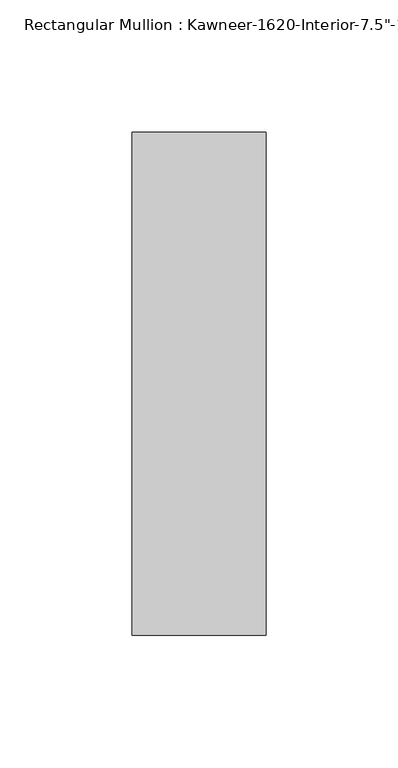
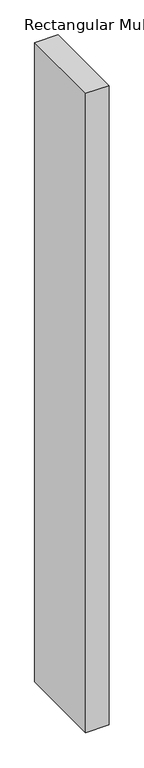
"""IFC4 building model written with IfcOpenShell, lengths in millimetres: member geometry."""

import ifcopenshell
import ifcopenshell.guid

model = None  # the IFC model being written
_history = None  # IfcOwnerHistory: only IFC2X3 demands one
_inside = {}  # id of a spatial element -> (the spatial element, [elements in it])
_under = {}  # id of a project, library or spatial element -> (it, [spatial elements below it])
_declared = {}  # id of a project -> (the project, [libraries it declares])
_typed = {}  # id of a type object -> (the type object, [elements of that type])
_made_of = {}  # id of a material, layer set ... -> (it, [elements and type objects made of it])


def new_model(schema):
    """Start an empty IFC model of exactly this schema.

    Asked for "IFC4X3", IfcOpenShell would pick the latest addendum, in which some entities
    have other attributes; the version numbers below select the first issue.
    IFC2X3 requires an IfcOwnerHistory on every rooted entity: one is made here for all.
    """
    global model, _history
    if schema == "IFC4X3":
        model = ifcopenshell.file(schema_version=(4, 3, 0, 0))
    else:
        model = ifcopenshell.file(schema=schema)
    _inside.clear()
    _under.clear()
    _declared.clear()
    _typed.clear()
    _made_of.clear()
    _history = None
    if model.schema == "IFC2X3":
        org = make("IfcOrganization", Name="unknown")
        user = make(
            "IfcPersonAndOrganization",
            ThePerson=make("IfcPerson", FamilyName="unknown"),
            TheOrganization=org,
        )
        app = make(
            "IfcApplication",
            ApplicationDeveloper=org,
            Version="unknown",
            ApplicationFullName="unknown",
            ApplicationIdentifier="unknown",
        )
        _history = make(
            "IfcOwnerHistory",
            OwningUser=user,
            OwningApplication=app,
            ChangeAction="ADDED",
            CreationDate=0,
        )
    return model


def make(cls, **values):
    """One entity of the class cls with the attributes given. An attribute that is None is left unset."""
    return model.create_entity(
        cls, **{name: value for name, value in values.items() if value is not None}
    )


def rooted(cls, **values):
    """An entity with a GlobalId (a new one), such as an element, a storey or a relation."""
    return make(cls, GlobalId=ifcopenshell.guid.new(), OwnerHistory=_history, **values)


def si_unit(unit_type, name, prefix=None):
    """IfcSIUnit, for example si_unit("LENGTHUNIT", "METRE", prefix="MILLI")."""
    return make("IfcSIUnit", UnitType=unit_type, Prefix=prefix, Name=name)


def assignment(units):
    """IfcUnitAssignment: the units of a project."""
    return None if units is None else make("IfcUnitAssignment", Units=units)


def point(xyz):
    """IfcCartesianPoint."""
    return None if xyz is None else make("IfcCartesianPoint", Coordinates=xyz)


def direction(xyz):
    """IfcDirection."""
    return None if xyz is None else make("IfcDirection", DirectionRatios=xyz)


def frame(location, z_axis=None, x_axis=None):
    """IfcAxis2Placement3D, a coordinate frame: its origin and axes. An axis left out is left unset."""
    return make(
        "IfcAxis2Placement3D",
        Location=point(location),
        Axis=direction(z_axis),
        RefDirection=direction(x_axis),
    )


def origin():
    """The frame at (0, 0, 0) with its axes left unset."""
    return frame((0.0, 0.0, 0.0))


def place(relative_to, where):
    """IfcLocalPlacement: puts the frame where relative to a parent placement (None: the world)."""
    return make(
        "IfcLocalPlacement", PlacementRelTo=relative_to, RelativePlacement=where
    )


def context(
    kind, dimensions, precision=None, world=None, true_north=None, identifier=None
):
    """IfcGeometricRepresentationContext, for example the 3D "Model" context."""
    return make(
        "IfcGeometricRepresentationContext",
        ContextIdentifier=identifier,
        ContextType=kind,
        CoordinateSpaceDimension=dimensions,
        Precision=precision,
        WorldCoordinateSystem=world,
        TrueNorth=true_north,
    )


def project(units=None, contexts=None):
    """IfcProject with its units and contexts."""
    return rooted(
        "IfcProject",
        Name="project",
        RepresentationContexts=contexts,
        UnitsInContext=assignment(units),
    )


def spatial(cls, under=None, at=None, **own):
    """A site, building, storey or space (cls), placed at a placement, below another one or the project."""
    s = rooted(cls, ObjectPlacement=at, **own)
    if under is not None:
        _under.setdefault(under.id(), (under, []))[1].append(s)
    return s


def polyline(points):
    """IfcPolyline through the points."""
    return make("IfcPolyline", Points=[point(p) for p in points])


def outline(outer, holes=None, kind="AREA"):
    """IfcArbitraryClosedProfileDef: a profile drawn as a closed curve; with holes, ...WithVoids."""
    if holes is None:
        return make("IfcArbitraryClosedProfileDef", ProfileType=kind, OuterCurve=outer)
    return make(
        "IfcArbitraryProfileDefWithVoids",
        ProfileType=kind,
        OuterCurve=outer,
        InnerCurves=holes,
    )


def extrude(swept, where, along, depth):
    """IfcExtrudedAreaSolid: the profile swept, set in the frame where, extruded along a direction by depth."""
    return make(
        "IfcExtrudedAreaSolid",
        SweptArea=swept,
        Position=where,
        ExtrudedDirection=direction(along),
        Depth=depth,
    )


def shape(context_of_items, identifier, shape_type, items):
    """IfcShapeRepresentation: the items that make up one representation, for example the "Body"."""
    return make(
        "IfcShapeRepresentation",
        ContextOfItems=context_of_items,
        RepresentationIdentifier=identifier,
        RepresentationType=shape_type,
        Items=items,
    )


def source(mapping_origin, context_of_items, identifier, shape_type, items):
    """IfcRepresentationMap: a shape defined once, which mapped items show again and again."""
    return make(
        "IfcRepresentationMap",
        MappingOrigin=mapping_origin,
        MappedRepresentation=shape(context_of_items, identifier, shape_type, items),
    )


def transform(
    local_origin,
    x_axis=None,
    y_axis=None,
    z_axis=None,
    scale=None,
    scale2=None,
    scale3=None,
    uniform=True,
):
    """IfcCartesianTransformationOperator3D, or its non-uniform kind. x_axis, y_axis, z_axis: its Axis1, 2, 3."""
    if uniform:
        return make(
            "IfcCartesianTransformationOperator3D",
            Axis1=direction(x_axis),
            Axis2=direction(y_axis),
            LocalOrigin=point(local_origin),
            Scale=scale,
            Axis3=direction(z_axis),
        )
    return make(
        "IfcCartesianTransformationOperator3DnonUniform",
        Axis1=direction(x_axis),
        Axis2=direction(y_axis),
        LocalOrigin=point(local_origin),
        Scale=scale,
        Axis3=direction(z_axis),
        Scale2=scale2,
        Scale3=scale3,
    )


def mapped(mapping_source, mapping_target):
    """IfcMappedItem: shows the shape of a source again, moved by a transform."""
    return make(
        "IfcMappedItem", MappingSource=mapping_source, MappingTarget=mapping_target
    )


def made_of(thing, what):
    """Note that an element or type object is made of a material, layer set ...; save() writes the relation."""
    if what is not None:
        _made_of.setdefault(what.id(), (what, []))[1].append(thing)
    return thing


def element(
    cls,
    number,
    at=None,
    inside=None,
    cuts=None,
    type_object=None,
    material=None,
    context=None,
    identifier="Body",
    shape_type=None,
    held_by="IfcProductDefinitionShape",
    body=None,
    shapes=None,
    **own,
):
    """One element of the class cls, such as IfcWall. Its Tag is "e" and its number.

    at: its placement. inside: the storey or other place that contains it. cuts: it is an
    opening in that element (IfcRelVoidsElement). A single representation is given by context,
    identifier, shape_type and body (its items); several are given by shapes. held_by: the class
    of the entity that holds the representations. save() writes the other relations.
    """
    e = rooted(cls, Tag="e%d" % number, ObjectPlacement=at, **own)
    if body is not None:
        shapes = [shape(context, identifier, shape_type, body)]
    if shapes is not None:
        e.Representation = make(held_by, Representations=shapes)
    if inside is not None:
        _inside.setdefault(inside.id(), (inside, []))[1].append(e)
    if cuts is not None:
        rooted(
            "IfcRelVoidsElement", RelatingBuildingElement=cuts, RelatedOpeningElement=e
        )
    if type_object is not None:
        _typed.setdefault(type_object.id(), (type_object, []))[1].append(e)
    return made_of(e, material)


def aggregate(whole, parts):
    """IfcRelAggregates: a whole, such as a stair, and the parts it consists of."""
    return rooted("IfcRelAggregates", RelatingObject=whole, RelatedObjects=parts)


def save(model, path):
    """Write the relations noted so far, then the file.

    IfcRelAggregates (storeys below a building ...), IfcRelContainedInSpatialStructure (elements
    in a storey), IfcRelDefinesByType, IfcRelAssociatesMaterial and IfcRelDeclares: one each for
    every whole, place, type object, material and project.
    """
    for whole, parts in _under.values():
        aggregate(whole, parts)
    for where, things in _inside.values():
        rooted(
            "IfcRelContainedInSpatialStructure",
            RelatedElements=things,
            RelatingStructure=where,
        )
    for kind, things in _typed.values():
        rooted("IfcRelDefinesByType", RelatedObjects=things, RelatingType=kind)
    for what, things in _made_of.values():
        rooted("IfcRelAssociatesMaterial", RelatedObjects=things, RelatingMaterial=what)
    for by, libraries in _declared.values():
        rooted("IfcRelDeclares", RelatingContext=by, RelatedDefinitions=libraries)
    model.write(path)


def member_d9a8e1b9(model_context):
    return source(origin(), model_context, "Body", "SweptSolid", [
        extrude(outline(polyline([(25.4, -161.925), (-25.4, -161.925), (-25.4, 28.575), (25.4, 28.575), (25.4, -161.925)])), frame((0.0, 0.0, -1460.5), z_axis=(0.0, 0.0, 1.0), x_axis=(1.0, 0.0, 0.0)), (0.0, 0.0, 1.0), 1460.5),
    ])


if __name__ == "__main__":
    model = new_model("IFC4")
    model_context = context("Model", 3, world=origin())
    ifc_project = project(units=[si_unit("LENGTHUNIT", "METRE", prefix="MILLI")], contexts=[model_context])
    site = spatial("IfcSite", under=ifc_project)
    building = spatial("IfcBuilding", under=site)
    placement = place(None, origin())
    member_shape = member_d9a8e1b9(model_context)
    element("IfcMember", 1, ObjectType="Rectangular Mullion : Kawneer-1620-Interior-7.5\"-1\"_1/4\"Infill", at=placement, inside=building, context=model_context, shape_type="MappedRepresentation", body=[
        mapped(member_shape, transform((0.0, 0.0, 0.0), x_axis=(1.0, 0.0, 0.0), y_axis=(0.0, 1.0, 0.0), z_axis=(0.0, 0.0, 1.0))),
    ])
    save(model, "model.ifc")
